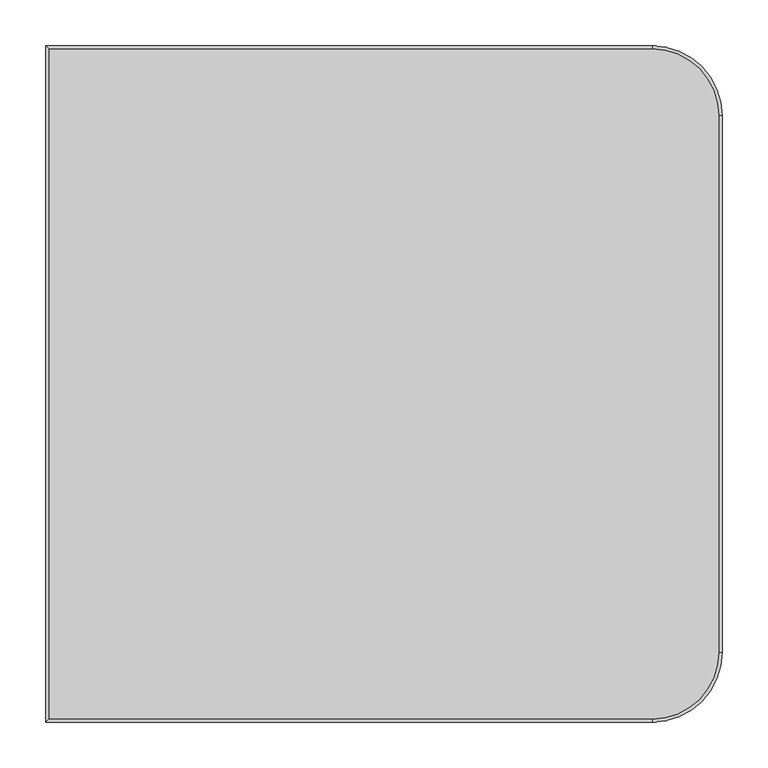
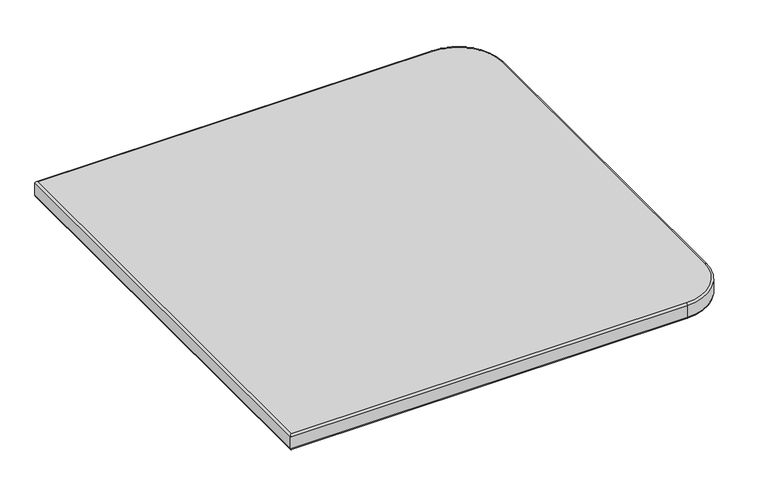
"""IFC4 building model written with IfcOpenShell, lengths in millimetres: furniture geometry."""

from ifc_helpers import new_model, si_unit, point, frame, origin, place, context, project, spatial, circle_curve, ellipse_curve, trimmed, source, transform, mapped, element, save
from ifc_brep_helpers import plane_surface, cylinder_surface, revolved_surface, advanced_brep


def furniture_88949ad3(model_context):
    return source(origin(), model_context, "Body", "AdvancedBrep", [
        advanced_brep(
        [(736.6009689, -76.1969412, 714.3749758), (736.6009689, -76.1969412, 734.8981901), (736.6009689, -660.3993626, 734.8981901), (736.6009689, -660.3993626, 714.3749758), (733.4259689, -660.3993626, 711.1999758), (733.4259689, -76.1969412, 711.1999758), (733.4259689, -76.1969412, 738.0731901), (733.4259689, -660.3993626, 738.0731901), (660.400816, -736.5995155, 714.3749758), (660.400816, -736.5995155, 734.8981901), (0.0, -736.5995155, 734.8981901), (0.0, -736.5995155, 714.3749758), (3.175, -733.4245155, 711.1999758), (132.529416, -733.4245155, 711.1999758), (158.1450181, -733.4245155, 711.1999758), (660.400816, -733.4245155, 711.1999758), (660.400816, -733.4245155, 738.0731901), (3.175, -733.4245155, 738.0731901), (0.0, 0.0, 734.8981901), (0.0, 0.0, 714.3749758), (3.175, -3.175, 711.1999758), (3.175, -3.175, 738.0731901), (660.4040277, 0.0, 734.8981901), (660.4040277, 0.0, 714.3749758), (660.4040277, -3.175, 711.1999758), (158.1450181, -3.175, 711.1999758), (132.529416, -3.175, 711.1999758), (660.4040277, -3.175, 738.0731901)],
        [
            (0, 1),
            (1, 2),
            (2, 3),
            (3, 0),
            (3, 4, circle_curve(frame((733.4259689, -660.3993626, 714.3749758), z_axis=(0.0, 1.0, 0.0), x_axis=(1.0, 0.0, 0.0)), 3.175)),
            (4, 5),
            (5, 0, circle_curve(frame((733.4259689, -76.1969412, 714.3749758), z_axis=(0.0, -1.0, 0.0), x_axis=(1.0, 0.0, 0.0)), 3.175)),
            (1, 6, circle_curve(frame((733.4259689, -76.1969412, 734.8981901), z_axis=(0.0, -1.0, 0.0), x_axis=(1.0, 0.0, 0.0)), 3.175)),
            (6, 7),
            (7, 2, circle_curve(frame((733.4259689, -660.3993626, 734.8981901), z_axis=(0.0, 1.0, 0.0), x_axis=(1.0, 0.0, 0.0)), 3.175)),
            (8, 9),
            (9, 10),
            (10, 11),
            (11, 8),
            (11, 12, ellipse_curve(frame((3.175, -733.4245155, 714.3749758), z_axis=(0.7071067811865474, -0.7071067811865476, 0.0), x_axis=(0.7071067811865478, 0.7071067811865471, 0.0)), 4.4901281, 3.175)),
            (12, 13),
            (13, 14),
            (14, 15),
            (15, 8, circle_curve(frame((660.400816, -733.4245155, 714.3749758), z_axis=(-1.0, 0.0, 0.0), x_axis=(0.0, -1.0, 0.0)), 3.175)),
            (9, 16, circle_curve(frame((660.400816, -733.4245155, 734.8981901), z_axis=(-1.0, 0.0, 0.0), x_axis=(0.0, -1.0, 0.0)), 3.175)),
            (16, 17),
            (17, 10, ellipse_curve(frame((3.175, -733.4245155, 734.8981901), z_axis=(0.7071067811865474, -0.7071067811865476, 0.0), x_axis=(0.7071067811865478, 0.7071067811865471, 0.0)), 4.4901281, 3.175)),
            (10, 18),
            (18, 19),
            (19, 11),
            (19, 20, ellipse_curve(frame((3.175, -3.175, 714.3749758), z_axis=(-0.7071067811865476, -0.7071067811865475, 0.0), x_axis=(0.7071067811865475, -0.7071067811865475, 0.0)), 4.4901281, 3.175)),
            (20, 12),
            (17, 21),
            (21, 18, ellipse_curve(frame((3.175, -3.175, 734.8981901), z_axis=(-0.7071067811865476, -0.7071067811865475, 0.0), x_axis=(0.7071067811865475, -0.7071067811865475, 0.0)), 4.4901281, 3.175)),
            (18, 22),
            (22, 23),
            (23, 19),
            (23, 24, circle_curve(frame((660.4040277, -3.175, 714.3749758), z_axis=(-1.0, 0.0, 0.0), x_axis=(0.0, 1.0, 0.0)), 3.175)),
            (24, 25),
            (25, 26),
            (26, 20),
            (21, 27),
            (27, 22, circle_curve(frame((660.4040277, -3.175, 734.8981901), z_axis=(-1.0, 0.0, 0.0), x_axis=(0.0, 1.0, 0.0)), 3.175)),
            (0, 23, circle_curve(frame((660.4040277, -76.1969412, 714.3749758), z_axis=(0.0, 0.0, 1.0), x_axis=(0.0, 1.0, 0.0)), 76.1969412)),
            (22, 1, circle_curve(frame((660.4040277, -76.1969412, 734.8981901), z_axis=(0.0, 0.0, -1.0), x_axis=(0.0, 1.0, 0.0)), 76.1969412)),
            (5, 24, circle_curve(frame((660.4040277, -76.1969412, 711.1999758), z_axis=(0.0, 0.0, 1.0), x_axis=(0.0, 1.0, 0.0)), 73.0219412)),
            (27, 6, circle_curve(frame((660.4040277, -76.1969412, 738.0731901), z_axis=(0.0, 0.0, -1.0), x_axis=(0.0, 1.0, 0.0)), 73.0219412)),
            (2, 9, circle_curve(frame((660.400816, -660.3993626, 734.8981901), z_axis=(0.0, 0.0, -1.0), x_axis=(1.0, 0.0, 0.0)), 76.2001529)),
            (8, 3, circle_curve(frame((660.400816, -660.3993626, 714.3749758), z_axis=(0.0, 0.0, 1.0), x_axis=(1.0, 0.0, 0.0)), 76.2001529)),
            (15, 4, circle_curve(frame((660.400816, -660.3993626, 711.1999758), z_axis=(0.0, 0.0, 1.0), x_axis=(1.0, 0.0, 0.0)), 73.0251529)),
            (7, 16, circle_curve(frame((660.400816, -660.3993626, 738.0731901), z_axis=(0.0, 0.0, -1.0), x_axis=(1.0, 0.0, 0.0)), 73.0251529)),
        ],
        [
            plane_surface(frame((736.6009689, -76.1969412, 734.8981901), z_axis=(1.0, 0.0, 0.0), x_axis=(0.0, -1.0, 0.0))),
            cylinder_surface(frame((733.4259689, -76.1969412, 714.3749758), z_axis=(0.0, 1.0, 0.0), x_axis=(1.0, 0.0, 0.0)), 3.175),
            cylinder_surface(frame((733.4259689, -76.1969412, 734.8981901), z_axis=(0.0, 1.0, 0.0), x_axis=(1.0, 0.0, 0.0)), 3.175),
            plane_surface(frame((660.400816, -736.5995155, 734.8981901), z_axis=(0.0, -1.0, 0.0), x_axis=(-1.0, 0.0, 0.0))),
            cylinder_surface(frame((660.400816, -733.4245155, 714.3749758), z_axis=(1.0, 0.0, 0.0), x_axis=(0.0, -1.0, 0.0)), 3.175),
            cylinder_surface(frame((660.400816, -733.4245155, 734.8981901), z_axis=(1.0, 0.0, 0.0), x_axis=(0.0, -1.0, 0.0)), 3.175),
            plane_surface(frame((0.0, -736.5995155, 734.8981901), z_axis=(-1.0, 0.0, 0.0), x_axis=(0.0, 1.0, 0.0))),
            cylinder_surface(frame((3.175, -733.4245155, 714.3749758), z_axis=(0.0, -1.0, 0.0), x_axis=(-1.0, 0.0, 0.0)), 3.175),
            cylinder_surface(frame((3.175, -733.4245155, 734.8981901), z_axis=(0.0, -1.0, 0.0), x_axis=(-1.0, 0.0, 0.0)), 3.175),
            plane_surface(frame((0.0, 0.0, 734.8981901), z_axis=(0.0, 1.0, 0.0), x_axis=(1.0, 0.0, 0.0))),
            cylinder_surface(frame((3.175, -3.175, 714.3749758), z_axis=(-1.0, 0.0, 0.0), x_axis=(0.0, 1.0, 0.0)), 3.175),
            cylinder_surface(frame((3.175, -3.175, 734.8981901), z_axis=(-1.0, 0.0, 0.0), x_axis=(0.0, 1.0, 0.0)), 3.175),
            cylinder_surface(frame((660.4040277, -76.1969412, 738.0731901), z_axis=(0.0, 0.0, -1.0), x_axis=(0.0, 1.0, 0.0)), 76.1969412),
            revolved_surface(trimmed(ellipse_curve(frame((660.4040277, -3.175, 714.3749758), z_axis=(-1.0, 0.0, 0.0), x_axis=(0.0, 1.0, 0.0)), 3.175, 3.175), [point((660.4040277, 0.0, 714.3749758))], [point((660.4040277, -3.175, 711.1999758))], True, "CARTESIAN"), (660.4040277, -76.1969412, 738.0731901), (0.0, 0.0, -1.0)),
            revolved_surface(trimmed(ellipse_curve(frame((660.4040277, -3.175, 734.8981901), z_axis=(-1.0, 0.0, 0.0), x_axis=(0.0, 1.0, 0.0)), 3.175, 3.175), [point((660.4040277, -3.175, 738.0731901))], [point((660.4040277, 0.0, 734.8981901))], True, "CARTESIAN"), (660.4040277, -76.1969412, 738.0731901), (0.0, 0.0, -1.0)),
            cylinder_surface(frame((660.400816, -660.3993626, 738.0731901), z_axis=(0.0, 0.0, -1.0), x_axis=(1.0, 0.0, 0.0)), 76.2001529),
            revolved_surface(trimmed(ellipse_curve(frame((733.4259689, -660.3993626, 714.3749758), z_axis=(0.0, 1.0, 0.0), x_axis=(1.0, 0.0, 0.0)), 3.175, 3.175), [point((736.6009689, -660.3993626, 714.3749758))], [point((733.4259689, -660.3993626, 711.1999758))], True, "CARTESIAN"), (660.400816, -660.3993626, 738.0731901), (0.0, 0.0, -1.0)),
            revolved_surface(trimmed(ellipse_curve(frame((733.4259689, -660.3993626, 734.8981901), z_axis=(0.0, 1.0, 0.0), x_axis=(1.0, 0.0, 0.0)), 3.175, 3.175), [point((733.4259689, -660.3993626, 738.0731901))], [point((736.6009689, -660.3993626, 734.8981901))], True, "CARTESIAN"), (660.400816, -660.3993626, 738.0731901), (0.0, 0.0, -1.0)),
            plane_surface(frame((3.175, -3.175, 711.1999758), z_axis=(0.0, 0.0, -1.0), x_axis=(1.0, 0.0, 0.0))),
            plane_surface(frame((5.1230516, -5.1230516, 738.0731901), z_axis=(0.0, 0.0, 1.0), x_axis=(1.0, 0.0, 0.0))),
        ],
        [
            (0, [[1, 2, 3, 4]]),
            (1, [[-4, 5, 6, 7]]),
            (2, [[-2, 8, 9, 10]]),
            (3, [[11, 12, 13, 14]]),
            (4, [[-14, 15, 16, 17, 18, 19]]),
            (5, [[-12, 20, 21, 22]]),
            (6, [[-13, 23, 24, 25]]),
            (7, [[-15, -25, 26, 27]]),
            (8, [[-22, 28, 29, -23]]),
            (9, [[-24, 30, 31, 32]]),
            (10, [[-26, -32, 33, 34, 35, 36]]),
            (11, [[-29, 37, 38, -30]]),
            (12, [[-1, 39, -31, 40]]),
            (13, [[-7, 41, -33, -39]]),
            (14, [[-8, -40, -38, 42]]),
            (15, [[-3, 43, -11, 44]]),
            (16, [[-5, -44, -19, 45]]),
            (17, [[-10, 46, -20, -43]]),
            (18, [[-6, -45, -18, -17, -16, -27, -36, -35, -34, -41]]),
            (19, [[-9, -42, -37, -28, -21, -46]]),
        ],
    ),
    ])


if __name__ == "__main__":
    model = new_model("IFC4")
    model_context = context("Model", 3, world=origin())
    ifc_project = project(units=[si_unit("LENGTHUNIT", "METRE", prefix="MILLI")], contexts=[model_context])
    site = spatial("IfcSite", under=ifc_project)
    building = spatial("IfcBuilding", under=site)
    placement = place(None, origin())
    furniture_shape = furniture_88949ad3(model_context)
    element("IfcFurniture", 1, at=placement, inside=building, context=model_context, shape_type="MappedRepresentation", body=[
        mapped(furniture_shape, transform((0.0, 0.0, 0.0), x_axis=(1.0, 0.0, 0.0), y_axis=(0.0, 1.0, 0.0), z_axis=(0.0, 0.0, 1.0))),
    ])
    save(model, "model.ifc")
